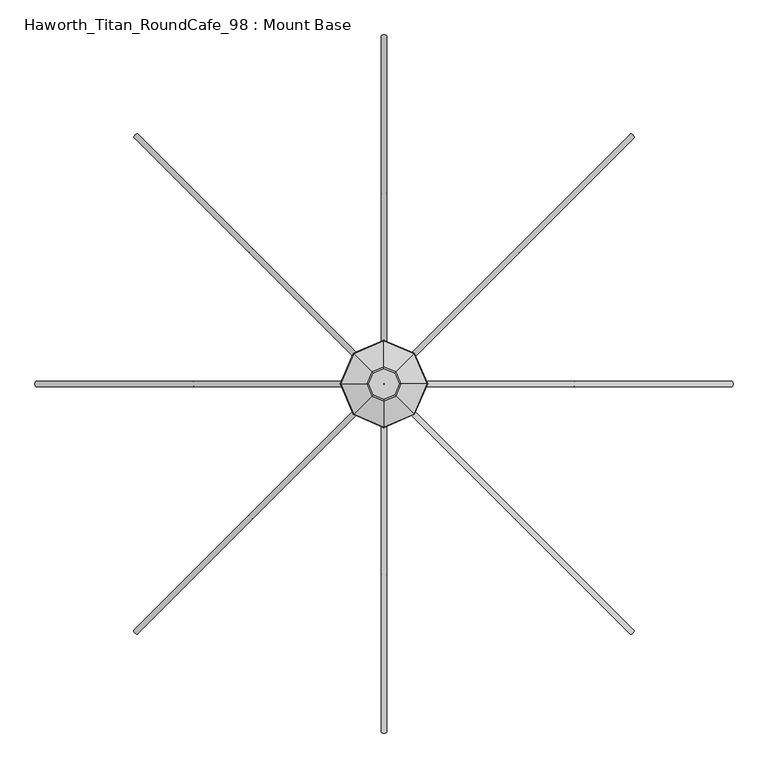
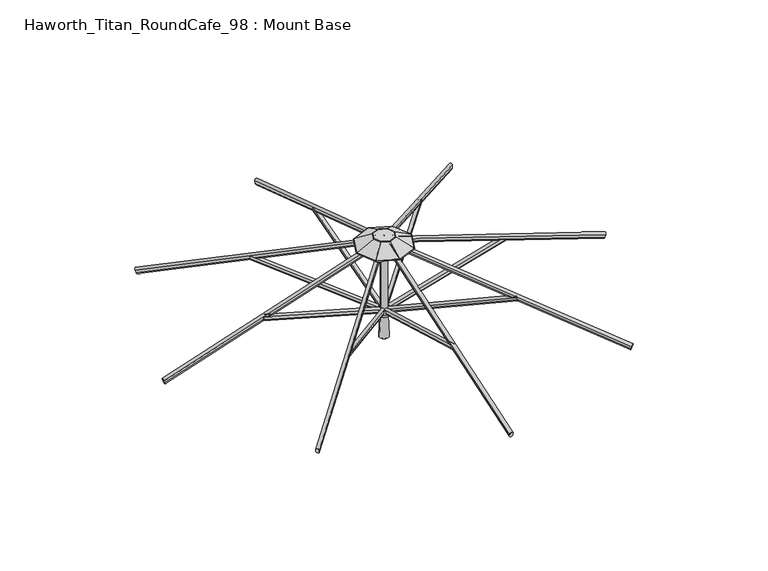
"""IFC4 building model written with IfcOpenShell, lengths in millimetres: furniture geometry, Haworth_Titan_RoundCafe_98 : Mount Base."""

import ifcopenshell
import ifcopenshell.guid

model = None  # the IFC model being written
_history = None  # IfcOwnerHistory: only IFC2X3 demands one
_inside = {}  # id of a spatial element -> (the spatial element, [elements in it])
_under = {}  # id of a project, library or spatial element -> (it, [spatial elements below it])
_declared = {}  # id of a project -> (the project, [libraries it declares])
_typed = {}  # id of a type object -> (the type object, [elements of that type])
_made_of = {}  # id of a material, layer set ... -> (it, [elements and type objects made of it])


def new_model(schema):
    """Start an empty IFC model of exactly this schema.

    Asked for "IFC4X3", IfcOpenShell would pick the latest addendum, in which some entities
    have other attributes; the version numbers below select the first issue.
    IFC2X3 requires an IfcOwnerHistory on every rooted entity: one is made here for all.
    """
    global model, _history
    if schema == "IFC4X3":
        model = ifcopenshell.file(schema_version=(4, 3, 0, 0))
    else:
        model = ifcopenshell.file(schema=schema)
    _inside.clear()
    _under.clear()
    _declared.clear()
    _typed.clear()
    _made_of.clear()
    _history = None
    if model.schema == "IFC2X3":
        org = make("IfcOrganization", Name="unknown")
        user = make(
            "IfcPersonAndOrganization",
            ThePerson=make("IfcPerson", FamilyName="unknown"),
            TheOrganization=org,
        )
        app = make(
            "IfcApplication",
            ApplicationDeveloper=org,
            Version="unknown",
            ApplicationFullName="unknown",
            ApplicationIdentifier="unknown",
        )
        _history = make(
            "IfcOwnerHistory",
            OwningUser=user,
            OwningApplication=app,
            ChangeAction="ADDED",
            CreationDate=0,
        )
    return model


def make(cls, **values):
    """One entity of the class cls with the attributes given. An attribute that is None is left unset."""
    return model.create_entity(
        cls, **{name: value for name, value in values.items() if value is not None}
    )


def rooted(cls, **values):
    """An entity with a GlobalId (a new one), such as an element, a storey or a relation."""
    return make(cls, GlobalId=ifcopenshell.guid.new(), OwnerHistory=_history, **values)


def si_unit(unit_type, name, prefix=None):
    """IfcSIUnit, for example si_unit("LENGTHUNIT", "METRE", prefix="MILLI")."""
    return make("IfcSIUnit", UnitType=unit_type, Prefix=prefix, Name=name)


def assignment(units):
    """IfcUnitAssignment: the units of a project."""
    return None if units is None else make("IfcUnitAssignment", Units=units)


def point(xyz):
    """IfcCartesianPoint."""
    return None if xyz is None else make("IfcCartesianPoint", Coordinates=xyz)


def direction(xyz):
    """IfcDirection."""
    return None if xyz is None else make("IfcDirection", DirectionRatios=xyz)


def frame(location, z_axis=None, x_axis=None):
    """IfcAxis2Placement3D, a coordinate frame: its origin and axes. An axis left out is left unset."""
    return make(
        "IfcAxis2Placement3D",
        Location=point(location),
        Axis=direction(z_axis),
        RefDirection=direction(x_axis),
    )


def frame_2d(location, x_axis=None):
    """IfcAxis2Placement2D, a coordinate frame in the plane: its origin and x axis."""
    return make(
        "IfcAxis2Placement2D", Location=point(location), RefDirection=direction(x_axis)
    )


def origin():
    """The frame at (0, 0, 0) with its axes left unset."""
    return frame((0.0, 0.0, 0.0))


def place(relative_to, where):
    """IfcLocalPlacement: puts the frame where relative to a parent placement (None: the world)."""
    return make(
        "IfcLocalPlacement", PlacementRelTo=relative_to, RelativePlacement=where
    )


def context(
    kind, dimensions, precision=None, world=None, true_north=None, identifier=None
):
    """IfcGeometricRepresentationContext, for example the 3D "Model" context."""
    return make(
        "IfcGeometricRepresentationContext",
        ContextIdentifier=identifier,
        ContextType=kind,
        CoordinateSpaceDimension=dimensions,
        Precision=precision,
        WorldCoordinateSystem=world,
        TrueNorth=true_north,
    )


def project(units=None, contexts=None):
    """IfcProject with its units and contexts."""
    return rooted(
        "IfcProject",
        Name="project",
        RepresentationContexts=contexts,
        UnitsInContext=assignment(units),
    )


def spatial(cls, under=None, at=None, **own):
    """A site, building, storey or space (cls), placed at a placement, below another one or the project."""
    s = rooted(cls, ObjectPlacement=at, **own)
    if under is not None:
        _under.setdefault(under.id(), (under, []))[1].append(s)
    return s


def polyline(points):
    """IfcPolyline through the points."""
    return make("IfcPolyline", Points=[point(p) for p in points])


def circle_curve(where, radius):
    """IfcCircle in the frame where."""
    return make("IfcCircle", Position=where, Radius=radius)


def ellipse_curve(where, semi_axis1, semi_axis2):
    """IfcEllipse in the frame where."""
    return make(
        "IfcEllipse", Position=where, SemiAxis1=semi_axis1, SemiAxis2=semi_axis2
    )


def trimmed(basis, trim1, trim2, sense, master):
    """IfcTrimmedCurve: the piece of a basis curve between two trims."""
    return make(
        "IfcTrimmedCurve",
        BasisCurve=basis,
        Trim1=trim1,
        Trim2=trim2,
        SenseAgreement=sense,
        MasterRepresentation=master,
    )


def segment(curve, same_sense, transition):
    """IfcCompositeCurveSegment."""
    return make(
        "IfcCompositeCurveSegment",
        Transition=transition,
        SameSense=same_sense,
        ParentCurve=curve,
    )


def composite_curve(segments, self_intersect=None):
    """IfcCompositeCurve: segments joined end to end."""
    return make("IfcCompositeCurve", Segments=segments, SelfIntersect=self_intersect)


def outline(outer, holes=None, kind="AREA"):
    """IfcArbitraryClosedProfileDef: a profile drawn as a closed curve; with holes, ...WithVoids."""
    if holes is None:
        return make("IfcArbitraryClosedProfileDef", ProfileType=kind, OuterCurve=outer)
    return make(
        "IfcArbitraryProfileDefWithVoids",
        ProfileType=kind,
        OuterCurve=outer,
        InnerCurves=holes,
    )


def extrude(swept, where, along, depth):
    """IfcExtrudedAreaSolid: the profile swept, set in the frame where, extruded along a direction by depth."""
    return make(
        "IfcExtrudedAreaSolid",
        SweptArea=swept,
        Position=where,
        ExtrudedDirection=direction(along),
        Depth=depth,
    )


def shape(context_of_items, identifier, shape_type, items):
    """IfcShapeRepresentation: the items that make up one representation, for example the "Body"."""
    return make(
        "IfcShapeRepresentation",
        ContextOfItems=context_of_items,
        RepresentationIdentifier=identifier,
        RepresentationType=shape_type,
        Items=items,
    )


def source(mapping_origin, context_of_items, identifier, shape_type, items):
    """IfcRepresentationMap: a shape defined once, which mapped items show again and again."""
    return make(
        "IfcRepresentationMap",
        MappingOrigin=mapping_origin,
        MappedRepresentation=shape(context_of_items, identifier, shape_type, items),
    )


def transform(
    local_origin,
    x_axis=None,
    y_axis=None,
    z_axis=None,
    scale=None,
    scale2=None,
    scale3=None,
    uniform=True,
):
    """IfcCartesianTransformationOperator3D, or its non-uniform kind. x_axis, y_axis, z_axis: its Axis1, 2, 3."""
    if uniform:
        return make(
            "IfcCartesianTransformationOperator3D",
            Axis1=direction(x_axis),
            Axis2=direction(y_axis),
            LocalOrigin=point(local_origin),
            Scale=scale,
            Axis3=direction(z_axis),
        )
    return make(
        "IfcCartesianTransformationOperator3DnonUniform",
        Axis1=direction(x_axis),
        Axis2=direction(y_axis),
        LocalOrigin=point(local_origin),
        Scale=scale,
        Axis3=direction(z_axis),
        Scale2=scale2,
        Scale3=scale3,
    )


def mapped(mapping_source, mapping_target):
    """IfcMappedItem: shows the shape of a source again, moved by a transform."""
    return make(
        "IfcMappedItem", MappingSource=mapping_source, MappingTarget=mapping_target
    )


def made_of(thing, what):
    """Note that an element or type object is made of a material, layer set ...; save() writes the relation."""
    if what is not None:
        _made_of.setdefault(what.id(), (what, []))[1].append(thing)
    return thing


def element(
    cls,
    number,
    at=None,
    inside=None,
    cuts=None,
    type_object=None,
    material=None,
    context=None,
    identifier="Body",
    shape_type=None,
    held_by="IfcProductDefinitionShape",
    body=None,
    shapes=None,
    **own,
):
    """One element of the class cls, such as IfcWall. Its Tag is "e" and its number.

    at: its placement. inside: the storey or other place that contains it. cuts: it is an
    opening in that element (IfcRelVoidsElement). A single representation is given by context,
    identifier, shape_type and body (its items); several are given by shapes. held_by: the class
    of the entity that holds the representations. save() writes the other relations.
    """
    e = rooted(cls, Tag="e%d" % number, ObjectPlacement=at, **own)
    if body is not None:
        shapes = [shape(context, identifier, shape_type, body)]
    if shapes is not None:
        e.Representation = make(held_by, Representations=shapes)
    if inside is not None:
        _inside.setdefault(inside.id(), (inside, []))[1].append(e)
    if cuts is not None:
        rooted(
            "IfcRelVoidsElement", RelatingBuildingElement=cuts, RelatedOpeningElement=e
        )
    if type_object is not None:
        _typed.setdefault(type_object.id(), (type_object, []))[1].append(e)
    return made_of(e, material)


def aggregate(whole, parts):
    """IfcRelAggregates: a whole, such as a stair, and the parts it consists of."""
    return rooted("IfcRelAggregates", RelatingObject=whole, RelatedObjects=parts)


def save(model, path):
    """Write the relations noted so far, then the file.

    IfcRelAggregates (storeys below a building ...), IfcRelContainedInSpatialStructure (elements
    in a storey), IfcRelDefinesByType, IfcRelAssociatesMaterial and IfcRelDeclares: one each for
    every whole, place, type object, material and project.
    """
    for whole, parts in _under.values():
        aggregate(whole, parts)
    for where, things in _inside.values():
        rooted(
            "IfcRelContainedInSpatialStructure",
            RelatedElements=things,
            RelatingStructure=where,
        )
    for kind, things in _typed.values():
        rooted("IfcRelDefinesByType", RelatedObjects=things, RelatingType=kind)
    for what, things in _made_of.values():
        rooted("IfcRelAssociatesMaterial", RelatedObjects=things, RelatingMaterial=what)
    for by, libraries in _declared.values():
        rooted("IfcRelDeclares", RelatingContext=by, RelatedDefinitions=libraries)
    model.write(path)


def plane_surface(at):
    """IfcPlane: the flat surface through the origin of the frame at, square to its z axis."""
    return make("IfcPlane", Position=at)


def cylinder_surface(at, radius):
    """IfcCylindricalSurface: all points at the distance radius from the z axis of the frame at."""
    return make("IfcCylindricalSurface", Position=at, Radius=radius)


def revolved_surface(curve, axis_point, axis_direction):
    """IfcSurfaceOfRevolution: the curve turned about the line through axis_point along axis_direction."""
    return make(
        "IfcSurfaceOfRevolution",
        SweptCurve=make("IfcArbitraryOpenProfileDef", ProfileType="CURVE", Curve=curve),
        AxisPosition=make("IfcAxis1Placement", Location=point(axis_point), Axis=direction(axis_direction)),
    )


def advanced_brep(points, edges, surfaces, faces):
    """IfcAdvancedBrep: a solid bounded by faces that lie on surfaces and meet in shared edges.

    An edge is (start, end): straight between two places in points (the first is 0);
    or (start, end, curve); or (start, end, curve, False) where it runs against its curve.
    A face is (place in surfaces, loops), or (place, loops, False) where it looks against
    its surface's normal. A loop lists edges by number (the first is 1), with a minus sign
    where the edge is run from its end to its start. The first loop is the outer one.
    """
    corners = [point(p) for p in points]
    vertices = [make("IfcVertexPoint", VertexGeometry=c) for c in corners]
    made = []
    for start, end, *more in edges:
        made.append(
            make(
                "IfcEdgeCurve",
                EdgeStart=vertices[start],
                EdgeEnd=vertices[end],
                EdgeGeometry=more[0] if more else make("IfcPolyline", Points=[corners[start], corners[end]]),
                SameSense=more[1] if len(more) > 1 else True,
            )
        )
    hull = []
    for where, loops, *sense in faces:
        bounds = []
        for j, loop in enumerate(loops):
            ring = [make("IfcOrientedEdge", EdgeElement=made[abs(k) - 1], Orientation=k > 0) for k in loop]
            bounds.append(
                make(
                    "IfcFaceOuterBound" if j == 0 else "IfcFaceBound",
                    Bound=make("IfcEdgeLoop", EdgeList=ring),
                    Orientation=True,
                )
            )
        hull.append(make("IfcAdvancedFace", Bounds=bounds, FaceSurface=surfaces[where], SameSense=sense[0] if sense else True))
    return make("IfcAdvancedBrep", Outer=make("IfcClosedShell", CfsFaces=hull))


def haworth_titan_roundcafe_98_mount_base_ec8eb699(model_context):
    return source(origin(), model_context, "Body", "SolidModel", [
        extrude(outline(composite_curve([segment(polyline([(12.9834408, -8.4804821), (12.9834408, -22.8946349)]), True, "CONTINUOUS"), segment(trimmed(circle_curve(frame_2d((4.0299408, -22.8946349)), 8.9535), [point((12.9834408, -22.8946349))], [point((-4.9235592, -22.8946349))], False, "CARTESIAN"), True, "CONTINUOUS"), segment(polyline([(-4.9235592, -22.8946349), (-4.9235592, -8.4804821)]), True, "CONTINUOUS"), segment(trimmed(circle_curve(frame_2d((4.0299408, -8.4804821)), 8.9535), [point((-4.9235592, -8.4804821))], [point((12.9834408, -8.4804821))], False, "CARTESIAN"), True, "CONTINUOUS")], self_intersect=False)), frame((4.0299408, -32.8443862, 2016.9430412), z_axis=(0.0, -0.9618942046764378, 0.2734219066020191), x_axis=(-1.0, 0.0, 0.0)), (0.0, 0.0, 1.0), 673.1),
        extrude(outline(composite_curve([segment(polyline([(12.9834408, -8.4804821), (12.9834408, -22.8946349)]), True, "CONTINUOUS"), segment(trimmed(circle_curve(frame_2d((4.0299408, -22.8946349)), 8.9535), [point((12.9834408, -22.8946349))], [point((-4.9235592, -22.8946349))], False, "CARTESIAN"), True, "CONTINUOUS"), segment(polyline([(-4.9235592, -22.8946349), (-4.9235592, -8.4804821)]), True, "CONTINUOUS"), segment(trimmed(circle_curve(frame_2d((4.0299408, -8.4804821)), 8.9535), [point((-4.9235592, -8.4804821))], [point((12.9834408, -8.4804821))], False, "CARTESIAN"), True, "CONTINUOUS")], self_intersect=False)), frame((-28.8144454, -8.0598816, 2016.9430412), z_axis=(-0.9618942046764378, 0.0, 0.2734219066020191), x_axis=(0.0, 1.0, 0.0)), (0.0, 0.0, 1.0), 673.1),
        extrude(outline(composite_curve([segment(polyline([(12.9834408, -8.4804821), (12.9834408, -22.8946349)]), True, "CONTINUOUS"), segment(trimmed(circle_curve(frame_2d((4.0299408, -22.8946349)), 8.9535), [point((12.9834408, -22.8946349))], [point((-4.9235592, -22.8946349))], False, "CARTESIAN"), True, "CONTINUOUS"), segment(polyline([(-4.9235592, -22.8946349), (-4.9235592, -8.4804821)]), True, "CONTINUOUS"), segment(trimmed(circle_curve(frame_2d((4.0299408, -8.4804821)), 8.9535), [point((-4.9235592, -8.4804821))], [point((12.9834408, -8.4804821))], False, "CARTESIAN"), True, "CONTINUOUS")], self_intersect=False)), frame((-4.0299408, 24.7845046, 2016.9430412), z_axis=(0.0, 0.9618942046764378, 0.2734219066020191), x_axis=(1.0, 0.0, 0.0)), (0.0, 0.0, 1.0), 673.1),
        extrude(outline(composite_curve([segment(trimmed(circle_curve(frame_2d((4.0299408, 7.3267917)), 8.9535), [point((12.9834408, 7.3267917))], [point((-4.9235592, 7.3267917))], False, "CARTESIAN"), True, "CONTINUOUS"), segment(polyline([(-4.9235592, 7.3267917), (-4.9235592, 21.7411303)]), True, "CONTINUOUS"), segment(trimmed(circle_curve(frame_2d((4.0299408, 21.7411303)), 8.9535), [point((-4.9235592, 21.7411303))], [point((12.9834408, 21.7411303))], False, "CARTESIAN"), True, "CONTINUOUS"), segment(polyline([(12.9834408, 21.7411303), (12.9834408, 7.3267917)]), True, "CONTINUOUS")], self_intersect=False)), frame((4.0299408, -1221.9652781, 2021.9166491), z_axis=(0.0, 0.9498609859621477, 0.31267252413190505), x_axis=(-1.0, 0.0, 0.0)), (0.0, 0.0, 1.0), 1244.6),
        extrude(outline(composite_curve([segment(trimmed(circle_curve(frame_2d((4.0299408, 7.3267917)), 8.9535), [point((12.9834408, 7.3267917))], [point((-4.9235592, 7.3267917))], False, "CARTESIAN"), True, "CONTINUOUS"), segment(polyline([(-4.9235592, 7.3267917), (-4.9235592, 21.7411303)]), True, "CONTINUOUS"), segment(trimmed(circle_curve(frame_2d((4.0299408, 21.7411303)), 8.9535), [point((-4.9235592, 21.7411303))], [point((12.9834408, 21.7411303))], False, "CARTESIAN"), True, "CONTINUOUS"), segment(polyline([(12.9834408, 21.7411303), (12.9834408, 7.3267917)]), True, "CONTINUOUS")], self_intersect=False)), frame((-1217.9353374, -8.0598816, 2021.9166491), z_axis=(0.9498609859621477, 0.0, 0.31267252413190505), x_axis=(0.0, 1.0, 0.0)), (0.0, 0.0, 1.0), 1244.6),
        extrude(outline(composite_curve([segment(trimmed(circle_curve(frame_2d((4.0299408, 7.3267917)), 8.9535), [point((12.9834408, 7.3267917))], [point((-4.9235592, 7.3267917))], False, "CARTESIAN"), True, "CONTINUOUS"), segment(polyline([(-4.9235592, 7.3267917), (-4.9235592, 21.7411303)]), True, "CONTINUOUS"), segment(trimmed(circle_curve(frame_2d((4.0299408, 21.7411303)), 8.9535), [point((-4.9235592, 21.7411303))], [point((12.9834408, 21.7411303))], False, "CARTESIAN"), True, "CONTINUOUS"), segment(polyline([(12.9834408, 21.7411303), (12.9834408, 7.3267917)]), True, "CONTINUOUS")], self_intersect=False)), frame((-4.0299408, 1213.9053966, 2021.9166491), z_axis=(0.0, -0.9498609859621477, 0.31267252413190505), x_axis=(1.0, 0.0, 0.0)), (0.0, 0.0, 1.0), 1244.6),
        extrude(outline(composite_curve([segment(trimmed(circle_curve(frame_2d((4.0299408, 7.3267917)), 8.9535), [point((12.9834408, 7.3267917))], [point((-4.9235592, 7.3267917))], False, "CARTESIAN"), True, "CONTINUOUS"), segment(polyline([(-4.9235592, 7.3267917), (-4.9235592, 21.7411303)]), True, "CONTINUOUS"), segment(trimmed(circle_curve(frame_2d((4.0299408, 21.7411303)), 8.9535), [point((-4.9235592, 21.7411303))], [point((12.9834408, 21.7411303))], False, "CARTESIAN"), True, "CONTINUOUS"), segment(polyline([(12.9834408, 21.7411303), (12.9834408, 7.3267917)]), True, "CONTINUOUS")], self_intersect=False)), frame((1217.9353374, 0.0, 2021.9166491), z_axis=(-0.9498609859621477, 0.0, 0.31267252413190505), x_axis=(0.0, -1.0, 0.0)), (0.0, 0.0, 1.0), 1244.6),
        extrude(outline(composite_curve([segment(polyline([(12.9834408, -8.4804821), (12.9834408, -22.8946349)]), True, "CONTINUOUS"), segment(trimmed(circle_curve(frame_2d((4.0299408, -22.8946349)), 8.9535), [point((12.9834408, -22.8946349))], [point((-4.9235592, -22.8946349))], False, "CARTESIAN"), True, "CONTINUOUS"), segment(polyline([(-4.9235592, -22.8946349), (-4.9235592, -8.4804821)]), True, "CONTINUOUS"), segment(trimmed(circle_curve(frame_2d((4.0299408, -8.4804821)), 8.9535), [point((-4.9235592, -8.4804821))], [point((12.9834408, -8.4804821))], False, "CARTESIAN"), True, "CONTINUOUS")], self_intersect=False)), frame((28.8144454, 0.0, 2016.9430412), z_axis=(0.9618942046764378, 0.0, 0.2734219066020191), x_axis=(0.0, -1.0, 0.0)), (0.0, 0.0, 1.0), 673.1),
        extrude(outline(composite_curve([segment(trimmed(circle_curve(frame_2d((-0.4115858, 9.2017124)), 8.947892), [point((8.536306, 9.1998745))], [point((-9.3594776, 9.2035502))], False, "CARTESIAN"), True, "CONTINUOUS"), segment(polyline([(-9.3594776, 9.2035502), (-9.3565684, 23.3657902)]), True, "CONTINUOUS"), segment(trimmed(circle_curve(frame_2d((-0.4086766, 23.3654226)), 8.9478918), [point((-9.3565684, 23.3657902))], [point((8.5392153, 23.3654226))], False, "CARTESIAN"), True, "CONTINUOUS"), segment(polyline([(8.5392153, 23.3654226), (8.536306, 9.1998745)]), True, "CONTINUOUS")], self_intersect=False)), frame((22.5882702, -26.6262435, 2018.2404158), z_axis=(0.6795938189832164, -0.6798354869216663, 0.27563735581700183), x_axis=(0.7072324735233075, 0.7069810665032723, 0.0)), (0.0, 0.0, 1.0), 662.5262868),
        extrude(outline(composite_curve([segment(trimmed(circle_curve(frame_2d((-0.4115858, 9.2017124)), 8.947892), [point((8.536306, 9.1998747))], [point((-9.3594776, 9.2035504))], False, "CARTESIAN"), True, "CONTINUOUS"), segment(polyline([(-9.3594776, 9.2035504), (-9.3565681, 23.3657902)]), True, "CONTINUOUS"), segment(trimmed(circle_curve(frame_2d((-0.4086766, 23.3654226)), 8.9478915), [point((-9.3565681, 23.3657902))], [point((8.5392148, 23.3654226))], False, "CARTESIAN"), True, "CONTINUOUS"), segment(polyline([(8.5392148, 23.3654226), (8.536306, 9.1998747)]), True, "CONTINUOUS")], self_intersect=False)), frame((-22.5963027, -26.618211, 2018.2404158), z_axis=(-0.6798354869216743, -0.6795938189832084, 0.2756373558170019), x_axis=(0.706981066503264, -0.7072324735233159, 0.0)), (0.0, 0.0, 1.0), 662.5262868),
        extrude(outline(composite_curve([segment(trimmed(circle_curve(frame_2d((-0.4115857, 9.2017124)), 8.947892), [point((8.536306, 9.1998748))], [point((-9.3594775, 9.2035504))], False, "CARTESIAN"), True, "CONTINUOUS"), segment(polyline([(-9.3594775, 9.2035504), (-9.356568, 23.3657902)]), True, "CONTINUOUS"), segment(trimmed(circle_curve(frame_2d((-0.4086765, 23.3654227)), 8.9478915), [point((-9.356568, 23.3657902))], [point((8.5392149, 23.3654227))], False, "CARTESIAN"), True, "CONTINUOUS"), segment(polyline([(8.5392149, 23.3654227), (8.536306, 9.1998748)]), True, "CONTINUOUS")], self_intersect=False)), frame((-22.5882702, 18.566362, 2018.2404158), z_axis=(-0.6795938189832139, 0.6798354869216688, 0.2756373558170019), x_axis=(-0.7072324735233101, -0.7069810665032696, 0.0)), (0.0, 0.0, 1.0), 662.5262868),
        extrude(outline(composite_curve([segment(trimmed(circle_curve(frame_2d((-0.4115858, 9.2017124)), 8.947892), [point((8.536306, 9.1998747))], [point((-9.3594776, 9.2035504))], False, "CARTESIAN"), True, "CONTINUOUS"), segment(polyline([(-9.3594776, 9.2035504), (-9.356568, 23.3657902)]), True, "CONTINUOUS"), segment(trimmed(circle_curve(frame_2d((-0.4086766, 23.3654226)), 8.9478915), [point((-9.356568, 23.3657902))], [point((8.5392148, 23.3654226))], False, "CARTESIAN"), True, "CONTINUOUS"), segment(polyline([(8.5392148, 23.3654226), (8.536306, 9.1998747)]), True, "CONTINUOUS")], self_intersect=False)), frame((22.5963027, 18.5583294, 2018.2404158), z_axis=(0.6798354869216633, 0.6795938189832195, 0.2756373558170019), x_axis=(-0.7069810665032754, 0.7072324735233043, 0.0)), (0.0, 0.0, 1.0), 662.5262868),
        extrude(outline(composite_curve([segment(trimmed(circle_curve(frame_2d((0.0454337, -8.9661607)), 8.9535016), [point((-8.9080678, -8.9644053))], [point((8.9989351, -8.9679162))], False, "CARTESIAN"), True, "CONTINUOUS"), segment(polyline([(8.9989351, -8.9679162), (8.9961217, -23.3170803)]), True, "CONTINUOUS"), segment(trimmed(circle_curve(frame_2d((0.0426202, -23.3153248)), 8.9535016), [point((8.9961217, -23.3170803))], [point((-8.9108812, -23.3135693))], False, "CARTESIAN"), True, "CONTINUOUS"), segment(polyline([(-8.9108812, -23.3135693), (-8.9080678, -8.9644053)]), True, "CONTINUOUS")], self_intersect=False)), frame((867.9020746, -872.3147843, 2016.7551217), z_axis=(-0.6716221233501685, 0.671622123350226, 0.3128057653770867), x_axis=(0.7071067811865779, 0.7071067811865173, 0.0)), (0.0, 0.0, 1.0), 1244.6),
        extrude(outline(composite_curve([segment(trimmed(circle_curve(frame_2d((0.0454336, -8.9661607)), 8.9535016), [point((-8.9080679, -8.9644053))], [point((8.998935, -8.9679162))], False, "CARTESIAN"), True, "CONTINUOUS"), segment(polyline([(8.998935, -8.9679162), (8.9961217, -23.3170803)]), True, "CONTINUOUS"), segment(trimmed(circle_curve(frame_2d((0.0426202, -23.3153248)), 8.9535016), [point((8.9961217, -23.3170803))], [point((-8.9108812, -23.3135693))], False, "CARTESIAN"), True, "CONTINUOUS"), segment(polyline([(-8.9108812, -23.3135693), (-8.9080679, -8.9644053)]), True, "CONTINUOUS")], self_intersect=False)), frame((-868.2848435, -871.9320154, 2016.7551217), z_axis=(0.6716221233502339, 0.6716221233501605, 0.3128057653770868), x_axis=(0.7071067811865089, -0.7071067811865861, 0.0)), (0.0, 0.0, 1.0), 1244.6),
        extrude(outline(composite_curve([segment(trimmed(circle_curve(frame_2d((0.0454336, -8.9661607)), 8.9535016), [point((-8.9080679, -8.9644053))], [point((8.9989351, -8.9679162))], False, "CARTESIAN"), True, "CONTINUOUS"), segment(polyline([(8.9989351, -8.9679162), (8.9961217, -23.3170803)]), True, "CONTINUOUS"), segment(trimmed(circle_curve(frame_2d((0.0426202, -23.3153248)), 8.9535016), [point((8.9961217, -23.3170803))], [point((-8.9108812, -23.3135693))], False, "CARTESIAN"), True, "CONTINUOUS"), segment(polyline([(-8.9108812, -23.3135693), (-8.9080679, -8.9644053)]), True, "CONTINUOUS")], self_intersect=False)), frame((-867.9020746, 864.2549027, 2016.7551217), z_axis=(0.671622123350166, -0.6716221233502285, 0.31280576537708676), x_axis=(-0.7071067811865804, -0.7071067811865146, 0.0)), (0.0, 0.0, 1.0), 1244.6),
        extrude(outline(composite_curve([segment(trimmed(circle_curve(frame_2d((0.0454336, -8.9661607)), 8.9535016), [point((-8.9080679, -8.9644053))], [point((8.9989351, -8.9679162))], False, "CARTESIAN"), True, "CONTINUOUS"), segment(polyline([(8.9989351, -8.9679162), (8.9961217, -23.3170803)]), True, "CONTINUOUS"), segment(trimmed(circle_curve(frame_2d((0.0426202, -23.3153248)), 8.9535016), [point((8.9961217, -23.3170803))], [point((-8.9108812, -23.3135694))], False, "CARTESIAN"), True, "CONTINUOUS"), segment(polyline([(-8.9108812, -23.3135694), (-8.9080679, -8.9644053)]), True, "CONTINUOUS")], self_intersect=False)), frame((868.2848435, 863.8721338, 2016.7551217), z_axis=(-0.6716221233502231, -0.6716221233501715, 0.3128057653770867), x_axis=(-0.7071067811865205, 0.7071067811865748, 0.0)), (0.0, 0.0, 1.0), 1244.6),
        advanced_brep(
        [(-19.05, -4.0299408, 2413.8101034), (19.05, -4.0299408, 2413.8101034), (19.05, -4.0299408, 2037.8474413), (-19.05, -4.0299408, 2037.8474413), (0.0, -4.0299408, 2413.8101034), (0.0, -4.0299408, 2037.8474413)],
        [
            (0, 1, circle_curve(frame((0.0, -4.0299408, 2413.8101034), z_axis=(0.0, 0.0, -1.0), x_axis=(1.0, 0.0, 0.0)), 19.05)),
            (1, 2),
            (2, 3, circle_curve(frame((0.0, -4.0299408, 2037.8474413), z_axis=(0.0, 0.0, 1.0), x_axis=(1.0, 0.0, 0.0)), 19.05)),
            (3, 0),
            (1, 0, circle_curve(frame((0.0, -4.0299408, 2413.8101034), z_axis=(0.0, 0.0, -1.0), x_axis=(1.0, 0.0, 0.0)), 19.05)),
            (3, 2, circle_curve(frame((0.0, -4.0299408, 2037.8474413), z_axis=(0.0, 0.0, 1.0), x_axis=(1.0, 0.0, 0.0)), 19.05)),
            (4, 1),
            (0, 4),
            (2, 5),
            (5, 3),
        ],
        [
            cylinder_surface(frame((0.0, -4.0299408, 2414.0159748), z_axis=(0.0, 0.0, 1.0), x_axis=(1.0, 0.0, 0.0)), 19.05),
            plane_surface(frame((0.0, -4.0299408, 2413.8101034), z_axis=(0.0, 0.0, 1.0), x_axis=(1.0, 0.0, 0.0))),
            plane_surface(frame((0.0, -4.0299408, 2037.8474413), z_axis=(0.0, 0.0, -1.0), x_axis=(1.0, 0.0, 0.0))),
        ],
        [
            (0, [[1, 2, 3, 4]]),
            (0, [[5, -4, 6, -2]]),
            (1, [[7, -1, 8]]),
            (1, [[-8, -5, -7]]),
            (2, [[-3, 9, 10]]),
            (2, [[-6, -10, -9]]),
        ],
    ),
        advanced_brep(
        [(-24.3041832, -4.0299408, 1872.9627429), (24.3041832, -4.0299408, 1872.9627429), (0.0, -4.0299408, 1872.9627429), (-25.317844, -4.0299408, 1873.9764037), (25.317844, -4.0299408, 1873.9764037), (-20.5098559, -4.0299408, 1995.8898279), (20.5098559, -4.0299408, 1995.8898279), (-23.0187508, -4.0299408, 1995.8898279), (23.0187508, -4.0299408, 1995.8898279), (-30.4482505, -4.0299408, 2013.6380178), (30.4482505, -4.0299408, 2013.6380178), (-30.4482505, -4.0299408, 2039.0380663), (30.4482505, -4.0299408, 2039.0380663), (0.0, -4.0299408, 2039.0380663)],
        [
            (0, 1, circle_curve(frame((0.0, -4.0299408, 1872.9627429), z_axis=(0.0, 0.0, -1.0), x_axis=(1.0, 0.0, 0.0)), 24.3041832)),
            (1, 2),
            (2, 0),
            (1, 0, circle_curve(frame((0.0, -4.0299408, 1872.9627429), z_axis=(0.0, 0.0, -1.0), x_axis=(1.0, 0.0, 0.0)), 24.3041832)),
            (3, 4, circle_curve(frame((0.0, -4.0299408, 1873.9764037), z_axis=(0.0, 0.0, -1.0), x_axis=(1.0, 0.0, 0.0)), 25.317844)),
            (4, 1),
            (0, 3),
            (4, 3, circle_curve(frame((0.0, -4.0299408, 1873.9764037), z_axis=(0.0, 0.0, -1.0), x_axis=(1.0, 0.0, 0.0)), 25.317844)),
            (5, 6, circle_curve(frame((0.0, -4.0299408, 1995.8898279), z_axis=(0.0, 0.0, -1.0), x_axis=(1.0, 0.0, 0.0)), 20.5098559)),
            (6, 4),
            (3, 5),
            (6, 5, circle_curve(frame((0.0, -4.0299408, 1995.8898279), z_axis=(0.0, 0.0, -1.0), x_axis=(1.0, 0.0, 0.0)), 20.5098559)),
            (7, 8, circle_curve(frame((0.0, -4.0299408, 1995.8898279), z_axis=(0.0, 0.0, -1.0), x_axis=(1.0, 0.0, 0.0)), 23.0187508)),
            (8, 6),
            (5, 7),
            (8, 7, circle_curve(frame((0.0, -4.0299408, 1995.8898279), z_axis=(0.0, 0.0, -1.0), x_axis=(1.0, 0.0, 0.0)), 23.0187508)),
            (9, 10, circle_curve(frame((0.0, -4.0299408, 2013.6380178), z_axis=(0.0, 0.0, -1.0), x_axis=(1.0, 0.0, 0.0)), 30.4482505)),
            (10, 8, circle_curve(frame((15.3691688, -4.0299408, 2009.521101), z_axis=(0.0, 1.0, 0.0), x_axis=(1.0, 0.0, 0.0)), 15.6309856)),
            (7, 9, circle_curve(frame((-15.3691688, -4.0299408, 2009.521101), z_axis=(0.0, 1.0, 0.0), x_axis=(-1.0, 0.0, 0.0)), 15.6309856)),
            (10, 9, circle_curve(frame((0.0, -4.0299408, 2013.6380178), z_axis=(0.0, 0.0, -1.0), x_axis=(1.0, 0.0, 0.0)), 30.4482505)),
            (11, 12, circle_curve(frame((0.0, -4.0299408, 2039.0380663), z_axis=(0.0, 0.0, -1.0), x_axis=(1.0, 0.0, 0.0)), 30.4482505)),
            (12, 10, circle_curve(frame((24.5799245, -4.0299408, 2026.338042), z_axis=(0.0, 1.0, 0.0), x_axis=(1.0, 0.0, 0.0)), 13.9902775)),
            (9, 11, circle_curve(frame((-24.5799245, -4.0299408, 2026.338042), z_axis=(0.0, 1.0, 0.0), x_axis=(-1.0, 0.0, 0.0)), 13.9902775)),
            (12, 11, circle_curve(frame((0.0, -4.0299408, 2039.0380663), z_axis=(0.0, 0.0, -1.0), x_axis=(1.0, 0.0, 0.0)), 30.4482505)),
            (13, 12),
            (11, 13),
        ],
        [
            plane_surface(frame((0.0, -4.0299408, 1872.9627429), z_axis=(0.0, 0.0, -1.0), x_axis=(1.0, 0.0, 0.0))),
            revolved_surface(polyline([(24.3041832, -4.0299408, 1872.9627429), (25.317844, -4.0299408, 1873.9764037)]), (0.0, -4.0299408, 2210.5193844), (0.0, 0.0, 1.0)),
            revolved_surface(polyline([(25.317844, -4.0299408, 1873.9764037), (20.5098559, -4.0299408, 1995.8898279)]), (0.0, -4.0299408, 2210.5193844), (0.0, 0.0, 1.0)),
            plane_surface(frame((0.0, -4.0299408, 1995.8898279), z_axis=(0.0, 0.0, -1.0), x_axis=(1.0, 0.0, 0.0))),
            revolved_surface(trimmed(ellipse_curve(frame((15.3691688, -4.0299408, 2009.521101), z_axis=(0.0, -1.0, 0.0), x_axis=(1.0, 0.0, 0.0)), 15.6309856, 15.6309856), [point((23.0187508, -4.0299408, 1995.8898279))], [point((30.4482505, -4.0299408, 2013.6380178))], True, "CARTESIAN"), (0.0, -4.0299408, 2210.5193844), (0.0, 0.0, 1.0)),
            revolved_surface(trimmed(ellipse_curve(frame((24.5799245, -4.0299408, 2026.338042), z_axis=(0.0, -1.0, 0.0), x_axis=(1.0, 0.0, 0.0)), 13.9902775, 13.9902775), [point((30.4482505, -4.0299408, 2013.6380178))], [point((30.4482505, -4.0299408, 2039.0380663))], True, "CARTESIAN"), (0.0, -4.0299408, 2210.5193844), (0.0, 0.0, 1.0)),
            plane_surface(frame((0.0, -4.0299408, 2039.0380663), z_axis=(0.0, 0.0, 1.0), x_axis=(1.0, 0.0, 0.0))),
        ],
        [
            (0, [[1, 2, 3]]),
            (0, [[4, -3, -2]]),
            (1, [[5, 6, -1, 7]]),
            (1, [[8, -7, -4, -6]]),
            (2, [[9, 10, -5, 11]]),
            (2, [[12, -11, -8, -10]]),
            (3, [[13, 14, -9, 15]]),
            (3, [[16, -15, -12, -14]]),
            (4, [[17, 18, -13, 19]]),
            (4, [[20, -19, -16, -18]]),
            (5, [[21, 22, -17, 23]]),
            (5, [[24, -23, -20, -22]]),
            (6, [[25, -21, 26]]),
            (6, [[-26, -24, -25]]),
        ],
    ),
        advanced_brep(
        [(-50.6448461, -4.0299408, 2413.0), (50.6448461, -4.0299408, 2413.0), (0.0, -4.0299408, 2413.0), (-50.6448461, -4.0299408, 2438.4), (50.6448461, -4.0299408, 2438.4), (0.0, -4.0299408, 2438.4)],
        [
            (0, 1, circle_curve(frame((0.0, -4.0299408, 2413.0), z_axis=(0.0, 0.0, -1.0), x_axis=(1.0, 0.0, 0.0)), 50.6448461)),
            (1, 2),
            (2, 0),
            (1, 0, circle_curve(frame((0.0, -4.0299408, 2413.0), z_axis=(0.0, 0.0, -1.0), x_axis=(1.0, 0.0, 0.0)), 50.6448461)),
            (3, 4, circle_curve(frame((0.0, -4.0299408, 2438.4), z_axis=(0.0, 0.0, -1.0), x_axis=(1.0, 0.0, 0.0)), 50.6448461)),
            (4, 1, circle_curve(frame((50.6448461, -4.0299408, 2425.7), z_axis=(0.0, 1.0, 0.0), x_axis=(1.0, 0.0, 0.0)), 12.7)),
            (0, 3, circle_curve(frame((-50.6448461, -4.0299408, 2425.7), z_axis=(0.0, 1.0, 0.0), x_axis=(-1.0, 0.0, 0.0)), 12.7)),
            (4, 3, circle_curve(frame((0.0, -4.0299408, 2438.4), z_axis=(0.0, 0.0, -1.0), x_axis=(1.0, 0.0, 0.0)), 50.6448461)),
            (5, 4),
            (3, 5),
        ],
        [
            plane_surface(frame((0.0, -4.0299408, 2413.0), z_axis=(0.0, 0.0, -1.0), x_axis=(1.0, 0.0, 0.0))),
            revolved_surface(trimmed(ellipse_curve(frame((50.6448461, -4.0299408, 2425.7), z_axis=(0.0, -1.0, 0.0), x_axis=(1.0, 0.0, 0.0)), 12.7, 12.7), [point((50.6448461, -4.0299408, 2413.0))], [point((50.6448461, -4.0299408, 2438.4))], True, "CARTESIAN"), (0.0, -4.0299408, 2520.9500484), (0.0, 0.0, 1.0)),
            plane_surface(frame((0.0, -4.0299408, 2438.4), z_axis=(0.0, 0.0, 1.0), x_axis=(1.0, 0.0, 0.0))),
        ],
        [
            (0, [[1, 2, 3]]),
            (0, [[4, -3, -2]]),
            (1, [[5, 6, -1, 7]]),
            (1, [[8, -7, -4, -6]]),
            (2, [[9, -5, 10]]),
            (2, [[-10, -8, -9]]),
        ],
    ),
        advanced_brep(
        [(54.1349752, -4.0299408, 2462.88368), (37.769035, 33.7390942, 2462.88368), (0.0, 50.1050344, 2462.88368), (-37.769035, 33.7390942, 2462.88368), (-54.1349752, -4.0299408, 2462.88368), (-37.769035, -41.7989758, 2462.88368), (0.0, -58.164916, 2462.88368), (37.769035, -41.7989758, 2462.88368), (-0.2799193, -3.7500215, 2462.88368), (0.0, -3.6287279, 2462.88368), (0.2799193, -3.7500215, 2462.88368), (0.4012128, -4.0299408, 2462.88368), (0.2799193, -4.30986, 2462.88368), (0.0, -4.4311536, 2462.88368), (-0.2799193, -4.30986, 2462.88368), (-0.4012128, -4.0299408, 2462.88368), (-19.5795789, 15.5496381, 2449.3082423), (0.0, 24.0337897, 2449.3082423), (19.5795789, 15.5496381, 2449.3082423), (28.0637305, -4.0299408, 2449.3082423), (19.5795789, -23.6095197, 2449.3082423), (0.0, -32.0936713, 2449.3082423), (-19.5795789, -23.6095197, 2449.3082423), (-28.0637305, -4.0299408, 2449.3082423), (0.4012128, -4.0299408, 2449.3082423), (0.2799193, -3.7500215, 2449.3082423), (0.0, -3.6287279, 2449.3082423), (-0.2799193, -3.7500215, 2449.3082423), (-0.4012128, -4.0299408, 2449.3082423), (-0.2799193, -4.30986, 2449.3082423), (0.0, -4.4311536, 2449.3082423), (0.2799193, -4.30986, 2449.3082423), (-105.0435454, 101.0136047, 2409.5509113), (-150.5606308, -4.0299408, 2409.5509113), (-106.4167753, 102.3868345, 2413.5067682), (-152.5289035, -4.0299408, 2413.5067682), (-42.5385208, 38.50858, 2461.2265187), (-60.9711572, -4.0299408, 2461.2265187), (-105.0435454, -109.0734862, 2409.5509113), (-106.4167753, -110.4467161, 2413.5067682), (-42.5385208, -46.5684616, 2461.2265187), (0.0, -154.5905715, 2409.5509113), (0.0, -156.5588443, 2413.5067682), (0.0, -65.001098, 2461.2265187), (105.0435454, -109.0734862, 2409.5509113), (106.4167753, -110.4467161, 2413.5067682), (42.5385208, -46.5684616, 2461.2265187), (150.5606308, -4.0299408, 2409.5509113), (152.5289035, -4.0299408, 2413.5067682), (60.9711572, -4.0299408, 2461.2265187), (105.0435454, 101.0136047, 2409.5509113), (106.4167753, 102.3868345, 2413.5067682), (42.5385208, 38.50858, 2461.2265187), (0.0, 146.53069, 2409.5509113), (0.0, 148.4989628, 2413.5067682), (0.0, 56.9412164, 2461.2265187)],
        [
            (0, 1),
            (1, 2),
            (2, 3),
            (3, 4),
            (4, 5),
            (5, 6),
            (6, 7),
            (7, 0),
            (8, 9),
            (9, 10),
            (10, 11),
            (11, 12),
            (12, 13),
            (13, 14),
            (14, 15),
            (15, 8),
            (16, 17),
            (17, 18),
            (18, 19),
            (19, 20),
            (20, 21),
            (21, 22),
            (22, 23),
            (23, 16),
            (24, 25),
            (25, 26),
            (26, 27),
            (27, 28),
            (28, 29),
            (29, 30),
            (30, 31),
            (31, 24),
            (27, 8),
            (15, 28),
            (14, 29),
            (13, 30),
            (12, 31),
            (11, 24),
            (10, 25),
            (9, 26),
            (32, 16),
            (23, 33),
            (33, 32),
            (34, 32, ellipse_curve(frame((-105.5970199, 101.5670791, 2411.6087803), z_axis=(-0.7071067811865479, -0.707106781186547, 0.0), x_axis=(-0.7071067811865467, 0.7071067811865482, 0.0)), 2.3472226, 2.1828125)),
            (33, 35, ellipse_curve(frame((-151.3539348, -4.0299408, 2411.6087803), z_axis=(0.0, 0.9999999999999999, 0.0), x_axis=(1.0, 0.0, 0.0)), 2.3789282, 2.1828125)),
            (35, 34),
            (36, 34),
            (35, 37),
            (37, 36),
            (3, 36, ellipse_curve(frame((-37.769035, 33.7390942, 2450.18368), z_axis=(-0.7071067811865479, -0.707106781186547, 0.0), x_axis=(-0.7071067811865467, 0.7071067811865482, 0.0)), 13.656568, 12.7)),
            (37, 4, ellipse_curve(frame((-54.1349752, -4.0299408, 2450.18368), z_axis=(0.0, 0.9999999999999999, 0.0), x_axis=(1.0, 0.0, 0.0)), 13.8410369, 12.7)),
            (22, 38),
            (38, 33),
            (38, 39, ellipse_curve(frame((-105.5970199, -109.6269607, 2411.6087803), z_axis=(-0.707106781186547, 0.707106781186548, 0.0), x_axis=(0.7071067811865479, 0.707106781186547, 0.0)), 2.3472226, 2.1828125)),
            (39, 35),
            (39, 40),
            (40, 37),
            (40, 5, ellipse_curve(frame((-37.769035, -41.7989758, 2450.18368), z_axis=(-0.707106781186547, 0.707106781186548, 0.0), x_axis=(0.7071067811865479, 0.707106781186547, 0.0)), 13.656568, 12.7)),
            (21, 41),
            (41, 38),
            (41, 42, ellipse_curve(frame((0.0, -155.3838756, 2411.6087803), z_axis=(-0.9999999999999999, 0.0, 0.0), x_axis=(0.0, 1.0, 0.0)), 2.3789282, 2.1828125)),
            (42, 39),
            (42, 43),
            (43, 40),
            (43, 6, ellipse_curve(frame((0.0, -58.164916, 2450.18368), z_axis=(-0.9999999999999999, 0.0, 0.0), x_axis=(0.0, 1.0, 0.0)), 13.8410369, 12.7)),
            (20, 44),
            (44, 41),
            (44, 45, ellipse_curve(frame((105.5970199, -109.6269607, 2411.6087803), z_axis=(-0.707106781186548, -0.707106781186547, 0.0), x_axis=(-0.7071067811865469, 0.7071067811865481, 0.0)), 2.3472226, 2.1828125)),
            (45, 42),
            (45, 46),
            (46, 43),
            (46, 7, ellipse_curve(frame((37.769035, -41.7989758, 2450.18368), z_axis=(-0.707106781186548, -0.707106781186547, 0.0), x_axis=(-0.7071067811865469, 0.7071067811865481, 0.0)), 13.656568, 12.7)),
            (19, 47),
            (47, 44),
            (47, 48, ellipse_curve(frame((151.3539348, -4.0299408, 2411.6087803), z_axis=(0.0, -1.0, 0.0), x_axis=(-1.0, 0.0, 0.0)), 2.3789282, 2.1828125)),
            (48, 45),
            (48, 49),
            (49, 46),
            (49, 0, ellipse_curve(frame((54.1349752, -4.0299408, 2450.18368), z_axis=(0.0, -1.0, 0.0), x_axis=(-1.0, 0.0, 0.0)), 13.8410369, 12.7)),
            (18, 50),
            (50, 47),
            (50, 51, ellipse_curve(frame((105.5970199, 101.5670791, 2411.6087803), z_axis=(0.707106781186547, -0.707106781186548, 0.0), x_axis=(-0.7071067811865478, -0.7071067811865471, 0.0)), 2.3472226, 2.1828125)),
            (51, 48),
            (51, 52),
            (52, 49),
            (52, 1, ellipse_curve(frame((37.769035, 33.7390942, 2450.18368), z_axis=(0.707106781186547, -0.707106781186548, 0.0), x_axis=(-0.7071067811865478, -0.7071067811865471, 0.0)), 13.656568, 12.7)),
            (17, 53),
            (53, 50),
            (53, 54, ellipse_curve(frame((0.0, 147.323994, 2411.6087803), z_axis=(0.9999999999999999, 0.0, 0.0), x_axis=(0.0, -1.0, 0.0)), 2.3789282, 2.1828125)),
            (54, 51),
            (54, 55),
            (55, 52),
            (55, 2, ellipse_curve(frame((0.0, 50.1050344, 2450.18368), z_axis=(0.9999999999999999, 0.0, 0.0), x_axis=(0.0, -1.0, 0.0)), 13.8410369, 12.7)),
            (32, 53),
            (34, 54),
            (36, 55),
        ],
        [
            plane_surface(frame((0.0, 50.1050344, 2462.88368), z_axis=(0.0, 0.0, 1.0000000000000002), x_axis=(-0.9175613115760063, -0.39759431522460076, 0.0))),
            plane_surface(frame((0.0, -3.6287279, 2449.3082423), z_axis=(0.0, 0.0, -1.0), x_axis=(-0.9175613115760027, -0.39759431522460875, 0.0))),
            plane_surface(frame((-0.2799193, -3.7500215, 2462.88368), z_axis=(0.91756131157602, -0.39759431522456923, 0.0), x_axis=(-0.39759431522456923, -0.91756131157602, 0.0))),
            plane_surface(frame((-0.4012128, -4.0299408, 2462.88368), z_axis=(0.9175613115760188, 0.39759431522457195, 0.0), x_axis=(0.39759431522457195, -0.9175613115760188, 0.0))),
            plane_surface(frame((-0.2799193, -4.30986, 2462.88368), z_axis=(0.3975943152245762, 0.9175613115760168, 0.0), x_axis=(0.9175613115760168, -0.3975943152245762, 0.0))),
            plane_surface(frame((0.0, -4.4311536, 2462.88368), z_axis=(-0.3975943152246069, 0.9175613115760036, 0.0), x_axis=(0.9175613115760036, 0.3975943152246069, 0.0))),
            plane_surface(frame((0.2799193, -4.30986, 2462.88368), z_axis=(-0.9175613115760135, 0.39759431522458394, 0.0), x_axis=(0.39759431522458394, 0.9175613115760135, 0.0))),
            plane_surface(frame((0.4012128, -4.0299408, 2462.88368), z_axis=(-0.9175613115760253, -0.3975943152245569, 0.0), x_axis=(-0.3975943152245569, 0.9175613115760253, 0.0))),
            plane_surface(frame((0.2799193, -3.7500215, 2462.88368), z_axis=(-0.3975943152244854, -0.9175613115760564, 0.0), x_axis=(-0.9175613115760564, 0.3975943152244854, 0.0))),
            plane_surface(frame((0.0, -3.6287279, 2462.88368), z_axis=(0.3975943152245434, -0.9175613115760312, 0.0), x_axis=(-0.9175613115760312, -0.3975943152245434, 0.0))),
            plane_surface(frame((-19.5795789, 15.5496381, 2449.3082423), z_axis=(0.30598025707488913, -0.1325862470977348, -0.942760292630594), x_axis=(-0.39759431522460126, -0.9175613115760061, 0.0))),
            cylinder_surface(frame((-105.3868278, 102.0521569, 2411.6087803), z_axis=(0.3975943152246023, 0.9175613115760056, 0.0), x_axis=(0.9175613115760056, -0.3975943152246023, 0.0)), 2.1828125),
            plane_surface(frame((-106.4167753, 102.3868345, 2413.5067682), z_axis=(-0.45318975110411563, 0.19637452722103046, 0.869514861605543), x_axis=(-0.3975943152246022, -0.9175613115760056, 0.0))),
            cylinder_surface(frame((-23.5363618, 66.5850121, 2450.18368), z_axis=(0.3975943152246023, 0.9175613115760056, 0.0), x_axis=(0.9175613115760056, -0.3975943152246023, 0.0)), 12.7),
            plane_surface(frame((-28.0637305, -4.0299408, 2449.3082423), z_axis=(0.30598025707488946, 0.13258624709773403, -0.9427602926305941), x_axis=(0.39759431522459887, -0.9175613115760072, 0.0))),
            cylinder_surface(frame((-151.5843032, -3.4983005, 2411.6087803), z_axis=(-0.39759431522459965, 0.9175613115760068, 0.0), x_axis=(0.9175613115760068, 0.39759431522459965, 0.0)), 2.1828125),
            plane_surface(frame((-152.5289035, -4.0299408, 2413.5067682), z_axis=(-0.4531897511041162, -0.19637452722102916, 0.869514861605543), x_axis=(0.39759431522459965, -0.9175613115760068, 0.0))),
            cylinder_surface(frame((-69.7338373, 31.9688443, 2450.18368), z_axis=(-0.39759431522459965, 0.9175613115760068, 0.0), x_axis=(0.9175613115760068, 0.39759431522459965, 0.0)), 12.7),
            plane_surface(frame((-19.5795789, -23.6095197, 2449.3082423), z_axis=(0.13258624709773473, 0.3059802570748891, -0.9427602926305941), x_axis=(0.9175613115760062, -0.3975943152246011, 0.0))),
            cylinder_surface(frame((-106.0820977, -109.4167685, 2411.6087803), z_axis=(-0.9175613115760063, 0.3975943152246009, 0.0), x_axis=(0.3975943152246009, 0.9175613115760063, 0.0)), 2.1828125),
            plane_surface(frame((-106.4167753, -110.4467161, 2413.5067682), z_axis=(-0.19637452722102977, -0.45318975110411586, 0.8695148616055431), x_axis=(0.9175613115760062, -0.39759431522460087, 0.0))),
            cylinder_surface(frame((-70.6149529, -27.5663026, 2450.18368), z_axis=(-0.9175613115760063, 0.3975943152246009, 0.0), x_axis=(0.3975943152246009, 0.9175613115760063, 0.0)), 12.7),
            plane_surface(frame((0.0, -32.0936713, 2449.3082423), z_axis=(-0.13258624709773462, 0.3059802570748891, -0.9427602926305941), x_axis=(0.9175613115760062, 0.3975943152246008, 0.0))),
            cylinder_surface(frame((-0.5316403, -155.614244, 2411.6087803), z_axis=(-0.9175613115760062, -0.3975943152246011, 0.0), x_axis=(-0.3975943152246011, 0.9175613115760062, 0.0)), 2.1828125),
            plane_surface(frame((0.0, -156.5588443, 2413.5067682), z_axis=(0.19637452722102977, -0.4531897511041159, 0.869514861605543), x_axis=(0.9175613115760063, 0.39759431522460087, 0.0))),
            cylinder_surface(frame((-35.9987851, -73.763778, 2450.18368), z_axis=(-0.9175613115760062, -0.3975943152246011, 0.0), x_axis=(-0.3975943152246011, 0.9175613115760062, 0.0)), 12.7),
            plane_surface(frame((19.5795789, -23.6095197, 2449.3082423), z_axis=(-0.305980257074889, 0.13258624709773467, -0.9427602926305942), x_axis=(0.39759431522460104, 0.9175613115760062, 0.0))),
            cylinder_surface(frame((105.3868278, -110.1120385, 2411.6087803), z_axis=(-0.3975943152246023, -0.9175613115760057, 0.0), x_axis=(-0.9175613115760057, 0.3975943152246023, 0.0)), 2.1828125),
            plane_surface(frame((106.4167753, -110.4467161, 2413.5067682), z_axis=(0.4531897511041155, -0.19637452722103052, 0.869514861605543), x_axis=(0.39759431522460237, 0.9175613115760055, 0.0))),
            cylinder_surface(frame((23.5363618, -74.6448937, 2450.18368), z_axis=(-0.3975943152246023, -0.9175613115760057, 0.0), x_axis=(-0.9175613115760057, 0.3975943152246023, 0.0)), 12.7),
            plane_surface(frame((28.0637305, -4.0299408, 2449.3082423), z_axis=(-0.30598025707488924, -0.1325862470977341, -0.942760292630594), x_axis=(-0.39759431522459926, 0.917561311576007, 0.0))),
            cylinder_surface(frame((151.5843032, -4.561581, 2411.6087803), z_axis=(0.39759431522459965, -0.9175613115760066, 0.0), x_axis=(-0.9175613115760066, -0.39759431522459965, 0.0)), 2.1828125),
            plane_surface(frame((152.5289035, -4.0299408, 2413.5067682), z_axis=(0.453189751104116, 0.19637452722102922, 0.8695148616055431), x_axis=(-0.3975943152245998, 0.9175613115760067, 0.0))),
            cylinder_surface(frame((69.7338373, -40.0287259, 2450.18368), z_axis=(0.39759431522459965, -0.9175613115760066, 0.0), x_axis=(-0.9175613115760066, -0.39759431522459965, 0.0)), 12.7),
            plane_surface(frame((19.5795789, 15.5496381, 2449.3082423), z_axis=(-0.13258624709773453, -0.30598025707488896, -0.9427602926305941), x_axis=(-0.9175613115760063, 0.39759431522460065, 0.0))),
            cylinder_surface(frame((106.0820977, 101.356887, 2411.6087803), z_axis=(0.9175613115760062, -0.3975943152246008, 0.0), x_axis=(-0.3975943152246008, -0.9175613115760062, 0.0)), 2.1828125),
            plane_surface(frame((106.4167753, 102.3868345, 2413.5067682), z_axis=(0.19637452722102983, 0.4531897511041157, 0.8695148616055433), x_axis=(-0.9175613115760062, 0.3975943152246011, 0.0))),
            cylinder_surface(frame((70.6149529, 19.506421, 2450.18368), z_axis=(0.9175613115760062, -0.3975943152246008, 0.0), x_axis=(-0.3975943152246008, -0.9175613115760062, 0.0)), 12.7),
            plane_surface(frame((0.0, 24.0337897, 2449.3082423), z_axis=(0.13258624709773456, -0.3059802570748891, -0.9427602926305941), x_axis=(-0.9175613115760064, -0.39759431522460065, 0.0))),
            cylinder_surface(frame((0.5316403, 147.5543624, 2411.6087803), z_axis=(0.9175613115760061, 0.39759431522460115, 0.0), x_axis=(0.39759431522460115, -0.9175613115760061, 0.0)), 2.1828125),
            plane_surface(frame((0.0, 148.4989628, 2413.5067682), z_axis=(-0.19637452722102983, 0.4531897511041158, 0.8695148616055431), x_axis=(-0.9175613115760062, -0.39759431522460104, 0.0))),
            cylinder_surface(frame((35.9987851, 65.7038965, 2450.18368), z_axis=(0.9175613115760061, 0.39759431522460115, 0.0), x_axis=(0.39759431522460115, -0.9175613115760061, 0.0)), 12.7),
        ],
        [
            (0, [[1, 2, 3, 4, 5, 6, 7, 8], [9, 10, 11, 12, 13, 14, 15, 16]]),
            (1, [[17, 18, 19, 20, 21, 22, 23, 24], [25, 26, 27, 28, 29, 30, 31, 32]]),
            (2, [[33, -16, 34, -28]]),
            (3, [[-34, -15, 35, -29]]),
            (4, [[-35, -14, 36, -30]]),
            (5, [[-36, -13, 37, -31]]),
            (6, [[-37, -12, 38, -32]]),
            (7, [[-38, -11, 39, -25]]),
            (8, [[-39, -10, 40, -26]]),
            (9, [[-40, -9, -33, -27]]),
            (10, [[41, -24, 42, 43]]),
            (11, [[44, -43, 45, 46]]),
            (12, [[47, -46, 48, 49]]),
            (13, [[50, -49, 51, -4]]),
            (14, [[-42, -23, 52, 53]]),
            (15, [[-45, -53, 54, 55]]),
            (16, [[-48, -55, 56, 57]]),
            (17, [[-51, -57, 58, -5]]),
            (18, [[-52, -22, 59, 60]]),
            (19, [[-54, -60, 61, 62]]),
            (20, [[-56, -62, 63, 64]]),
            (21, [[-58, -64, 65, -6]]),
            (22, [[-59, -21, 66, 67]]),
            (23, [[-61, -67, 68, 69]]),
            (24, [[-63, -69, 70, 71]]),
            (25, [[-65, -71, 72, -7]]),
            (26, [[-66, -20, 73, 74]]),
            (27, [[-68, -74, 75, 76]]),
            (28, [[-70, -76, 77, 78]]),
            (29, [[-72, -78, 79, -8]]),
            (30, [[-73, -19, 80, 81]]),
            (31, [[-75, -81, 82, 83]]),
            (32, [[-77, -83, 84, 85]]),
            (33, [[-79, -85, 86, -1]]),
            (34, [[-80, -18, 87, 88]]),
            (35, [[-82, -88, 89, 90]]),
            (36, [[-84, -90, 91, 92]]),
            (37, [[-86, -92, 93, -2]]),
            (38, [[-87, -17, -41, 94]]),
            (39, [[-89, -94, -44, 95]]),
            (40, [[-91, -95, -47, 96]]),
            (41, [[-93, -96, -50, -3]]),
        ],
    ),
    ])


if __name__ == "__main__":
    model = new_model("IFC4")
    model_context = context("Model", 3, world=origin())
    ifc_project = project(units=[si_unit("LENGTHUNIT", "METRE", prefix="MILLI")], contexts=[model_context])
    site = spatial("IfcSite", under=ifc_project)
    building = spatial("IfcBuilding", under=site)
    placement = place(None, origin())
    haworth_titan_roundcafe_98_mount_base_shape = haworth_titan_roundcafe_98_mount_base_ec8eb699(model_context)
    element("IfcFurniture", 1, ObjectType="Haworth_Titan_RoundCafe_98 : Mount Base", at=placement, inside=building, context=model_context, shape_type="MappedRepresentation", body=[
        mapped(haworth_titan_roundcafe_98_mount_base_shape, transform((0.0, 0.0, 0.0), x_axis=(1.0, 0.0, 0.0), y_axis=(0.0, 1.0, 0.0), z_axis=(0.0, 0.0, 1.0))),
    ])
    save(model, "model.ifc")
